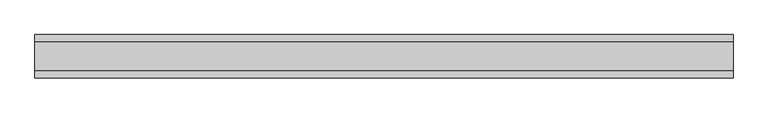
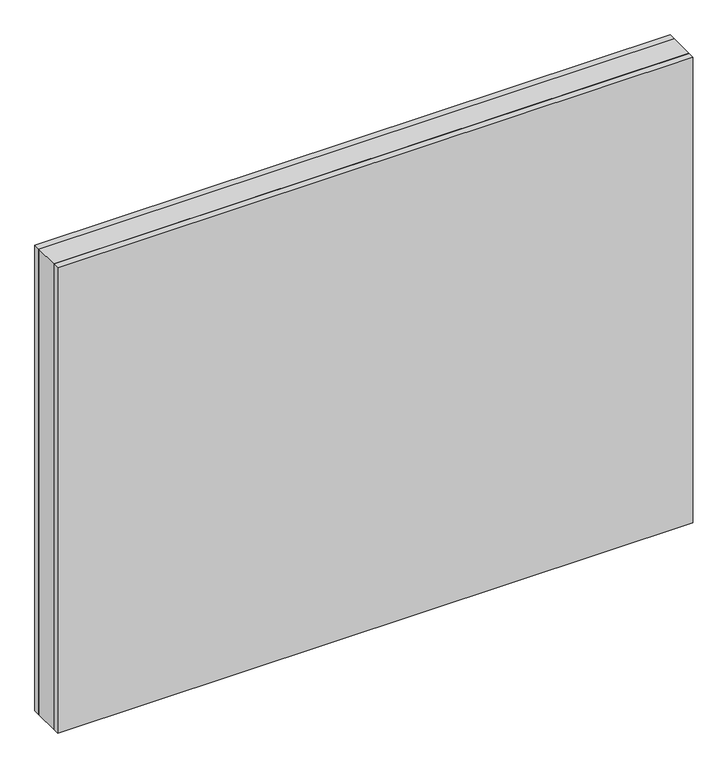
"""IFC4 building model written with IfcOpenShell, lengths in millimetres: plate geometry."""

import ifcopenshell
import ifcopenshell.guid

model = None  # the IFC model being written
_history = None  # IfcOwnerHistory: only IFC2X3 demands one
_inside = {}  # id of a spatial element -> (the spatial element, [elements in it])
_under = {}  # id of a project, library or spatial element -> (it, [spatial elements below it])
_declared = {}  # id of a project -> (the project, [libraries it declares])
_typed = {}  # id of a type object -> (the type object, [elements of that type])
_made_of = {}  # id of a material, layer set ... -> (it, [elements and type objects made of it])


def new_model(schema):
    """Start an empty IFC model of exactly this schema.

    Asked for "IFC4X3", IfcOpenShell would pick the latest addendum, in which some entities
    have other attributes; the version numbers below select the first issue.
    IFC2X3 requires an IfcOwnerHistory on every rooted entity: one is made here for all.
    """
    global model, _history
    if schema == "IFC4X3":
        model = ifcopenshell.file(schema_version=(4, 3, 0, 0))
    else:
        model = ifcopenshell.file(schema=schema)
    _inside.clear()
    _under.clear()
    _declared.clear()
    _typed.clear()
    _made_of.clear()
    _history = None
    if model.schema == "IFC2X3":
        org = make("IfcOrganization", Name="unknown")
        user = make(
            "IfcPersonAndOrganization",
            ThePerson=make("IfcPerson", FamilyName="unknown"),
            TheOrganization=org,
        )
        app = make(
            "IfcApplication",
            ApplicationDeveloper=org,
            Version="unknown",
            ApplicationFullName="unknown",
            ApplicationIdentifier="unknown",
        )
        _history = make(
            "IfcOwnerHistory",
            OwningUser=user,
            OwningApplication=app,
            ChangeAction="ADDED",
            CreationDate=0,
        )
    return model


def make(cls, **values):
    """One entity of the class cls with the attributes given. An attribute that is None is left unset."""
    return model.create_entity(
        cls, **{name: value for name, value in values.items() if value is not None}
    )


def rooted(cls, **values):
    """An entity with a GlobalId (a new one), such as an element, a storey or a relation."""
    return make(cls, GlobalId=ifcopenshell.guid.new(), OwnerHistory=_history, **values)


def si_unit(unit_type, name, prefix=None):
    """IfcSIUnit, for example si_unit("LENGTHUNIT", "METRE", prefix="MILLI")."""
    return make("IfcSIUnit", UnitType=unit_type, Prefix=prefix, Name=name)


def assignment(units):
    """IfcUnitAssignment: the units of a project."""
    return None if units is None else make("IfcUnitAssignment", Units=units)


def point(xyz):
    """IfcCartesianPoint."""
    return None if xyz is None else make("IfcCartesianPoint", Coordinates=xyz)


def direction(xyz):
    """IfcDirection."""
    return None if xyz is None else make("IfcDirection", DirectionRatios=xyz)


def frame(location, z_axis=None, x_axis=None):
    """IfcAxis2Placement3D, a coordinate frame: its origin and axes. An axis left out is left unset."""
    return make(
        "IfcAxis2Placement3D",
        Location=point(location),
        Axis=direction(z_axis),
        RefDirection=direction(x_axis),
    )


def origin():
    """The frame at (0, 0, 0) with its axes left unset."""
    return frame((0.0, 0.0, 0.0))


def origin_with_axes():
    """The frame at (0, 0, 0) with the z axis (0, 0, 1) and the x axis (1, 0, 0) written out."""
    return frame((0.0, 0.0, 0.0), z_axis=(0.0, 0.0, 1.0), x_axis=(1.0, 0.0, 0.0))


def place(relative_to, where):
    """IfcLocalPlacement: puts the frame where relative to a parent placement (None: the world)."""
    return make(
        "IfcLocalPlacement", PlacementRelTo=relative_to, RelativePlacement=where
    )


def context(
    kind, dimensions, precision=None, world=None, true_north=None, identifier=None
):
    """IfcGeometricRepresentationContext, for example the 3D "Model" context."""
    return make(
        "IfcGeometricRepresentationContext",
        ContextIdentifier=identifier,
        ContextType=kind,
        CoordinateSpaceDimension=dimensions,
        Precision=precision,
        WorldCoordinateSystem=world,
        TrueNorth=true_north,
    )


def project(units=None, contexts=None):
    """IfcProject with its units and contexts."""
    return rooted(
        "IfcProject",
        Name="project",
        RepresentationContexts=contexts,
        UnitsInContext=assignment(units),
    )


def spatial(cls, under=None, at=None, **own):
    """A site, building, storey or space (cls), placed at a placement, below another one or the project."""
    s = rooted(cls, ObjectPlacement=at, **own)
    if under is not None:
        _under.setdefault(under.id(), (under, []))[1].append(s)
    return s


def polyline(points):
    """IfcPolyline through the points."""
    return make("IfcPolyline", Points=[point(p) for p in points])


def outline(outer, holes=None, kind="AREA"):
    """IfcArbitraryClosedProfileDef: a profile drawn as a closed curve; with holes, ...WithVoids."""
    if holes is None:
        return make("IfcArbitraryClosedProfileDef", ProfileType=kind, OuterCurve=outer)
    return make(
        "IfcArbitraryProfileDefWithVoids",
        ProfileType=kind,
        OuterCurve=outer,
        InnerCurves=holes,
    )


def extrude(swept, where, along, depth):
    """IfcExtrudedAreaSolid: the profile swept, set in the frame where, extruded along a direction by depth."""
    return make(
        "IfcExtrudedAreaSolid",
        SweptArea=swept,
        Position=where,
        ExtrudedDirection=direction(along),
        Depth=depth,
    )


def shape(context_of_items, identifier, shape_type, items):
    """IfcShapeRepresentation: the items that make up one representation, for example the "Body"."""
    return make(
        "IfcShapeRepresentation",
        ContextOfItems=context_of_items,
        RepresentationIdentifier=identifier,
        RepresentationType=shape_type,
        Items=items,
    )


def source(mapping_origin, context_of_items, identifier, shape_type, items):
    """IfcRepresentationMap: a shape defined once, which mapped items show again and again."""
    return make(
        "IfcRepresentationMap",
        MappingOrigin=mapping_origin,
        MappedRepresentation=shape(context_of_items, identifier, shape_type, items),
    )


def transform(
    local_origin,
    x_axis=None,
    y_axis=None,
    z_axis=None,
    scale=None,
    scale2=None,
    scale3=None,
    uniform=True,
):
    """IfcCartesianTransformationOperator3D, or its non-uniform kind. x_axis, y_axis, z_axis: its Axis1, 2, 3."""
    if uniform:
        return make(
            "IfcCartesianTransformationOperator3D",
            Axis1=direction(x_axis),
            Axis2=direction(y_axis),
            LocalOrigin=point(local_origin),
            Scale=scale,
            Axis3=direction(z_axis),
        )
    return make(
        "IfcCartesianTransformationOperator3DnonUniform",
        Axis1=direction(x_axis),
        Axis2=direction(y_axis),
        LocalOrigin=point(local_origin),
        Scale=scale,
        Axis3=direction(z_axis),
        Scale2=scale2,
        Scale3=scale3,
    )


def mapped(mapping_source, mapping_target):
    """IfcMappedItem: shows the shape of a source again, moved by a transform."""
    return make(
        "IfcMappedItem", MappingSource=mapping_source, MappingTarget=mapping_target
    )


def made_of(thing, what):
    """Note that an element or type object is made of a material, layer set ...; save() writes the relation."""
    if what is not None:
        _made_of.setdefault(what.id(), (what, []))[1].append(thing)
    return thing


def element(
    cls,
    number,
    at=None,
    inside=None,
    cuts=None,
    type_object=None,
    material=None,
    context=None,
    identifier="Body",
    shape_type=None,
    held_by="IfcProductDefinitionShape",
    body=None,
    shapes=None,
    **own,
):
    """One element of the class cls, such as IfcWall. Its Tag is "e" and its number.

    at: its placement. inside: the storey or other place that contains it. cuts: it is an
    opening in that element (IfcRelVoidsElement). A single representation is given by context,
    identifier, shape_type and body (its items); several are given by shapes. held_by: the class
    of the entity that holds the representations. save() writes the other relations.
    """
    e = rooted(cls, Tag="e%d" % number, ObjectPlacement=at, **own)
    if body is not None:
        shapes = [shape(context, identifier, shape_type, body)]
    if shapes is not None:
        e.Representation = make(held_by, Representations=shapes)
    if inside is not None:
        _inside.setdefault(inside.id(), (inside, []))[1].append(e)
    if cuts is not None:
        rooted(
            "IfcRelVoidsElement", RelatingBuildingElement=cuts, RelatedOpeningElement=e
        )
    if type_object is not None:
        _typed.setdefault(type_object.id(), (type_object, []))[1].append(e)
    return made_of(e, material)


def aggregate(whole, parts):
    """IfcRelAggregates: a whole, such as a stair, and the parts it consists of."""
    return rooted("IfcRelAggregates", RelatingObject=whole, RelatedObjects=parts)


def save(model, path):
    """Write the relations noted so far, then the file.

    IfcRelAggregates (storeys below a building ...), IfcRelContainedInSpatialStructure (elements
    in a storey), IfcRelDefinesByType, IfcRelAssociatesMaterial and IfcRelDeclares: one each for
    every whole, place, type object, material and project.
    """
    for whole, parts in _under.values():
        aggregate(whole, parts)
    for where, things in _inside.values():
        rooted(
            "IfcRelContainedInSpatialStructure",
            RelatedElements=things,
            RelatingStructure=where,
        )
    for kind, things in _typed.values():
        rooted("IfcRelDefinesByType", RelatedObjects=things, RelatingType=kind)
    for what, things in _made_of.values():
        rooted("IfcRelAssociatesMaterial", RelatedObjects=things, RelatingMaterial=what)
    for by, libraries in _declared.values():
        rooted("IfcRelDeclares", RelatingContext=by, RelatedDefinitions=libraries)
    model.write(path)


def plate_4b5b6fa9(model_context):
    return source(origin(), model_context, "Body", "SweptSolid", [
        extrude(outline(polyline([(602.1875001, 24.2), (602.1875001, -24.2), (-602.1875001, -24.2), (-602.1875001, 24.2), (602.1875001, 24.2)])), origin_with_axes(), (0.0, 0.0, 1.0), 932.75),
        extrude(outline(polyline([(602.1875001, 37.2), (602.1875001, 24.2), (-602.1875001, 24.2), (-602.1875001, 37.2), (602.1875001, 37.2)])), origin_with_axes(), (0.0, 0.0, 1.0), 932.75),
        extrude(outline(polyline([(-602.1875001, -37.2), (-602.1875001, -24.2), (602.1875001, -24.2), (602.1875001, -37.2), (-602.1875001, -37.2)])), origin_with_axes(), (0.0, 0.0, 1.0), 932.75),
    ])


if __name__ == "__main__":
    model = new_model("IFC4")
    model_context = context("Model", 3, world=origin())
    ifc_project = project(units=[si_unit("LENGTHUNIT", "METRE", prefix="MILLI")], contexts=[model_context])
    site = spatial("IfcSite", under=ifc_project)
    building = spatial("IfcBuilding", under=site)
    placement = place(None, origin())
    plate_shape = plate_4b5b6fa9(model_context)
    element("IfcPlate", 1, at=placement, inside=building, context=model_context, shape_type="MappedRepresentation", body=[
        mapped(plate_shape, transform((0.0, 0.0, 0.0), x_axis=(1.0, 0.0, 0.0), y_axis=(0.0, 1.0, 0.0), z_axis=(0.0, 0.0, 1.0))),
    ])
    save(model, "model.ifc")
